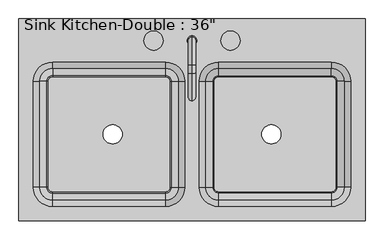
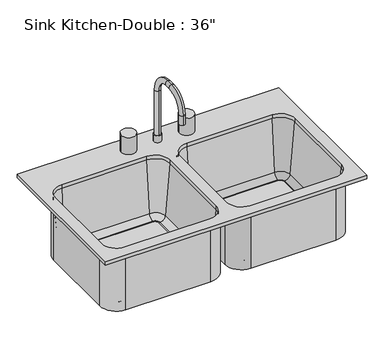
"""IFC4 building model written with IfcOpenShell, lengths in millimetres: flow terminal geometry."""

from ifc_helpers import new_model, si_unit, point, frame, frame_2d, origin, place, context, project, spatial, polyline, circle_curve, ellipse_curve, trimmed, segment, composite_curve, outline, extrude, source, transform, mapped, element, save
from ifc_brep_helpers import plane_surface, cylinder_surface, revolved_surface, advanced_brep


def flow_terminal_530ab181(model_context):
    return source(origin(), model_context, "Body", "SolidModel", [
        advanced_brep(
        [(2.9892406, 211.8954011, 927.1), (28.3892406, 211.8954011, 927.1), (15.6892406, 221.4204011, 1114.425), (15.6892406, 202.3704011, 1114.425), (15.6892406, 202.3704011, 952.5), (15.6892406, 221.4204011, 952.5), (15.6892406, 148.3954011, 1187.45), (15.6892406, 148.3954011, 1168.4), (15.6892406, 126.1704011, 1187.45), (15.6892406, 126.1704011, 1168.4), (15.6892406, 53.1454011, 1114.425), (15.6892406, 72.1954011, 1114.425), (15.6892406, 53.1454011, 1079.5), (15.6892406, 72.1954011, 1079.5), (2.9892406, 211.8954011, 952.5), (28.3892406, 211.8954011, 952.5)],
        [
            (0, 1, circle_curve(frame((15.6892406, 211.8954011, 927.1), z_axis=(0.0, 0.0, -1.0), x_axis=(1.0, 0.0, 0.0)), 12.7)),
            (1, 0, circle_curve(frame((15.6892406, 211.8954011, 927.1), z_axis=(0.0, 0.0, -1.0), x_axis=(1.0, 0.0, 0.0)), 12.7)),
            (2, 3, circle_curve(frame((15.6892406, 211.8954011, 1114.425), z_axis=(0.0, 0.0, -1.0), x_axis=(0.0, -1.0, 0.0)), 9.525)),
            (3, 4),
            (4, 5, circle_curve(frame((15.6892406, 211.8954011, 952.5), z_axis=(0.0, 0.0, 1.0), x_axis=(0.0, -1.0, 0.0)), 9.525)),
            (5, 2),
            (3, 2, circle_curve(frame((15.6892406, 211.8954011, 1114.425), z_axis=(0.0, 0.0, -1.0), x_axis=(0.0, -1.0, 0.0)), 9.525)),
            (5, 4, circle_curve(frame((15.6892406, 211.8954011, 952.5), z_axis=(0.0, 0.0, 1.0), x_axis=(0.0, -1.0, 0.0)), 9.525)),
            (2, 6, circle_curve(frame((15.6892406, 148.3954011, 1114.425), z_axis=(1.0, 0.0, 0.0), x_axis=(0.0, 1.0, 0.0)), 73.025)),
            (6, 7, circle_curve(frame((15.6892406, 148.3954011, 1177.925), z_axis=(0.0, 1.0, 0.0), x_axis=(0.0, 0.0, -1.0)), 9.525)),
            (7, 3, circle_curve(frame((15.6892406, 148.3954011, 1114.425), z_axis=(-1.0, 0.0, 0.0), x_axis=(0.0, 1.0, 0.0)), 53.975)),
            (7, 6, circle_curve(frame((15.6892406, 148.3954011, 1177.925), z_axis=(0.0, 1.0, 0.0), x_axis=(0.0, 0.0, -1.0)), 9.525)),
            (6, 8),
            (8, 9, circle_curve(frame((15.6892406, 126.1704011, 1177.925), z_axis=(0.0, 1.0, 0.0), x_axis=(0.0, 0.0, -1.0)), 9.525)),
            (9, 7),
            (9, 8, circle_curve(frame((15.6892406, 126.1704011, 1177.925), z_axis=(0.0, 1.0, 0.0), x_axis=(0.0, 0.0, -1.0)), 9.525)),
            (8, 10, circle_curve(frame((15.6892406, 126.1704011, 1114.425), z_axis=(1.0, 0.0, 0.0), x_axis=(0.0, 0.0, 1.0)), 73.025)),
            (10, 11, circle_curve(frame((15.6892406, 62.6704011, 1114.425), z_axis=(0.0, 0.0, 1.0), x_axis=(0.0, 1.0, 0.0)), 9.525)),
            (11, 9, circle_curve(frame((15.6892406, 126.1704011, 1114.425), z_axis=(-1.0, 0.0, 0.0), x_axis=(0.0, 0.0, 1.0)), 53.975)),
            (11, 10, circle_curve(frame((15.6892406, 62.6704011, 1114.425), z_axis=(0.0, 0.0, 1.0), x_axis=(0.0, 1.0, 0.0)), 9.525)),
            (12, 13, circle_curve(frame((15.6892406, 62.6704011, 1079.5), z_axis=(0.0, 0.0, -1.0), x_axis=(0.0, 1.0, 0.0)), 9.525)),
            (13, 12, circle_curve(frame((15.6892406, 62.6704011, 1079.5), z_axis=(0.0, 0.0, -1.0), x_axis=(0.0, 1.0, 0.0)), 9.525)),
            (10, 12),
            (13, 11),
            (14, 15, circle_curve(frame((15.6892406, 211.8954011, 952.5), z_axis=(0.0, 0.0, 1.0), x_axis=(1.0, 0.0, 0.0)), 12.7)),
            (15, 14, circle_curve(frame((15.6892406, 211.8954011, 952.5), z_axis=(0.0, 0.0, 1.0), x_axis=(1.0, 0.0, 0.0)), 12.7)),
            (14, 0),
            (1, 15),
        ],
        [
            plane_surface(frame((15.6892406, 202.3704011, 927.1), z_axis=(0.0, 0.0, -1.0), x_axis=(1.0, 0.0, 0.0))),
            cylinder_surface(frame((15.6892406, 211.8954011, 927.1), z_axis=(0.0, 0.0, -1.0), x_axis=(0.0, -1.0, 0.0)), 9.525),
            revolved_surface(trimmed(ellipse_curve(frame((15.6892406, 211.8954011, 1114.425), z_axis=(0.0, 0.0, -1.0), x_axis=(0.0, -1.0, 0.0)), 9.525, 9.525), [point((15.6892406, 221.4204011, 1114.425))], [point((15.6892406, 202.3704011, 1114.425))], True, "CARTESIAN"), (15.6892406, 148.3954011, 1114.425), (1.0, 0.0, 0.0)),
            revolved_surface(trimmed(ellipse_curve(frame((15.6892406, 211.8954011, 1114.425), z_axis=(0.0, 0.0, -1.0), x_axis=(0.0, -1.0, 0.0)), 9.525, 9.525), [point((15.6892406, 202.3704011, 1114.425))], [point((15.6892406, 221.4204011, 1114.425))], True, "CARTESIAN"), (15.6892406, 148.3954011, 1114.425), (1.0, 0.0, 0.0)),
            cylinder_surface(frame((15.6892406, 148.3954011, 1177.925), z_axis=(0.0, 1.0, 0.0), x_axis=(0.0, 0.0, -1.0)), 9.525),
            revolved_surface(trimmed(ellipse_curve(frame((15.6892406, 126.1704011, 1177.925), z_axis=(0.0, 1.0, 0.0), x_axis=(0.0, 0.0, -1.0)), 9.525, 9.525), [point((15.6892406, 126.1704011, 1187.45))], [point((15.6892406, 126.1704011, 1168.4))], True, "CARTESIAN"), (15.6892406, 126.1704011, 1114.425), (1.0, 0.0, 0.0)),
            revolved_surface(trimmed(ellipse_curve(frame((15.6892406, 126.1704011, 1177.925), z_axis=(0.0, 1.0, 0.0), x_axis=(0.0, 0.0, -1.0)), 9.525, 9.525), [point((15.6892406, 126.1704011, 1168.4))], [point((15.6892406, 126.1704011, 1187.45))], True, "CARTESIAN"), (15.6892406, 126.1704011, 1114.425), (1.0, 0.0, 0.0)),
            plane_surface(frame((15.6892406, 53.1454011, 1079.5), z_axis=(0.0, 0.0, -1.0), x_axis=(-1.0, 0.0, 0.0))),
            cylinder_surface(frame((15.6892406, 62.6704011, 1114.425), z_axis=(0.0, 0.0, 1.0), x_axis=(0.0, 1.0, 0.0)), 9.525),
            plane_surface(frame((28.3892406, 211.8954011, 952.5), z_axis=(0.0, 0.0, 1.0), x_axis=(0.0, 1.0, 0.0))),
            cylinder_surface(frame((15.6892406, 211.8954011, 927.1), z_axis=(0.0, 0.0, 1.0), x_axis=(1.0, 0.0, 0.0)), 12.7),
        ],
        [
            (0, [[1, 2]]),
            (1, [[3, 4, 5, 6]]),
            (1, [[7, -6, 8, -4]]),
            (2, [[-3, 9, 10, 11]]),
            (3, [[-7, -11, 12, -9]]),
            (4, [[-10, 13, 14, 15]]),
            (4, [[-12, -15, 16, -13]]),
            (5, [[-14, 17, 18, 19]]),
            (6, [[-16, -19, 20, -17]]),
            (7, [[21, 22]]),
            (8, [[-18, 23, -22, 24]]),
            (8, [[-20, -24, -21, -23]]),
            (9, [[25, 26], [-5, -8]]),
            (10, [[-25, 27, -2, 28]]),
            (10, [[-26, -28, -1, -27]]),
        ],
    ),
        advanced_brep(
        [(472.8892406, 269.0454011, 927.1), (-441.5107594, 269.0454011, 927.1), (-441.5107594, -264.3545989, 927.1), (472.8892406, -264.3545989, 927.1), (-54.1607594, 154.7454011, 927.1), (-3.3607594, 103.9454011, 927.1), (-3.3607594, -175.4545989, 927.1), (-54.1607594, -226.2545989, 927.1), (-352.6107594, -226.2545989, 927.1), (-403.4107594, -175.4545989, 927.1), (-403.4107594, 103.9454011, 927.1), (-352.6107594, 154.7454011, 927.1), (85.5392406, -226.2545989, 927.1), (34.7392406, -175.4545989, 927.1), (34.7392406, 103.9454011, 927.1), (85.5392406, 154.7454011, 927.1), (383.9892406, 154.7454011, 927.1), (434.7892406, 103.9454011, 927.1), (434.7892406, -175.4545989, 927.1), (383.9892406, -226.2545989, 927.1), (472.8892406, 269.0454011, 914.4), (472.8892406, -264.3545989, 914.4), (-441.5107594, -264.3545989, 914.4), (-441.5107594, 269.0454011, 914.4), (85.5392406, 161.0954011, 914.4), (28.3892406, 103.9454011, 914.4), (28.3892406, -175.4545989, 914.4), (85.5392406, -232.6045989, 914.4), (383.9892406, -232.6045989, 914.4), (441.1392406, -175.4545989, 914.4), (441.1392406, 103.9454011, 914.4), (383.9892406, 161.0954011, 914.4), (2.9892406, 103.9454011, 914.4), (-54.1607594, 161.0954011, 914.4), (-352.6107594, 161.0954011, 914.4), (-409.7607594, 103.9454011, 914.4), (-409.7607594, -175.4545989, 914.4), (-352.6107594, -232.6045989, 914.4), (-54.1607594, -232.6045989, 914.4), (2.9892406, -175.4545989, 914.4), (-54.1607594, 154.7454011, 914.4), (-3.3607594, 103.9454011, 914.4), (-3.3607594, -175.4545989, 914.4), (-54.1607594, -226.2545989, 914.4), (-352.6107594, -226.2545989, 914.4), (-403.4107594, -175.4545989, 914.4), (-403.4107594, 103.9454011, 914.4), (-352.6107594, 154.7454011, 914.4), (85.5392406, -226.2545989, 914.4), (34.7392406, -175.4545989, 914.4), (34.7392406, 103.9454011, 914.4), (85.5392406, 154.7454011, 914.4), (383.9892406, 154.7454011, 914.4), (434.7892406, 103.9454011, 914.4), (434.7892406, -175.4545989, 914.4), (383.9892406, -226.2545989, 914.4), (51.2733134, 103.9454011, 725.4146831), (85.5392406, 138.2113283, 725.4146831), (70.2508224, 103.9454011, 708.025), (85.5392406, 119.2338193, 708.025), (72.8392406, 103.9454011, 708.025), (85.5392406, 116.6454011, 708.025), (72.8392406, 103.9454011, 698.5), (85.5392406, 116.6454011, 698.5), (28.3892406, 103.9454011, 698.5), (85.5392406, 161.0954011, 698.5), (51.2733134, -175.4545989, 725.4146831), (70.2508224, -175.4545989, 708.025), (72.8392406, -175.4545989, 708.025), (72.8392406, -175.4545989, 698.5), (28.3892406, -175.4545989, 698.5), (85.5392406, -209.7205261, 725.4146831), (85.5392406, -190.7430171, 708.025), (85.5392406, -188.1545989, 708.025), (85.5392406, -188.1545989, 698.5), (85.5392406, -232.6045989, 698.5), (383.9892406, -209.7205261, 725.4146831), (383.9892406, -190.7430171, 708.025), (383.9892406, -188.1545989, 708.025), (383.9892406, -188.1545989, 698.5), (383.9892406, -232.6045989, 698.5), (418.2551678, -175.4545989, 725.4146831), (399.2776588, -175.4545989, 708.025), (396.6892406, -175.4545989, 708.025), (396.6892406, -175.4545989, 698.5), (441.1392406, -175.4545989, 698.5), (418.2551678, 103.9454011, 725.4146831), (399.2776588, 103.9454011, 708.025), (396.6892406, 103.9454011, 708.025), (396.6892406, 103.9454011, 698.5), (441.1392406, 103.9454011, 698.5), (383.9892406, 138.2113283, 725.4146831), (383.9892406, 119.2338193, 708.025), (383.9892406, 116.6454011, 708.025), (383.9892406, 116.6454011, 698.5), (383.9892406, 161.0954011, 698.5), (2.9892406, 103.9454011, 698.5), (-54.1607594, 161.0954011, 698.5), (-41.4607594, 103.9454011, 698.5), (-54.1607594, 116.6454011, 698.5), (-41.4607594, 103.9454011, 708.025), (-54.1607594, 116.6454011, 708.025), (-38.8723412, 103.9454011, 708.025), (-54.1607594, 119.2338193, 708.025), (-19.8948322, 103.9454011, 725.4146831), (-54.1607594, 138.2113283, 725.4146831), (2.9892406, -175.4545989, 698.5), (-41.4607594, -175.4545989, 698.5), (-41.4607594, -175.4545989, 708.025), (-38.8723412, -175.4545989, 708.025), (-19.8948322, -175.4545989, 725.4146831), (-54.1607594, -232.6045989, 698.5), (-54.1607594, -188.1545989, 698.5), (-54.1607594, -188.1545989, 708.025), (-54.1607594, -190.7430171, 708.025), (-54.1607594, -209.7205261, 725.4146831), (-352.6107594, -232.6045989, 698.5), (-352.6107594, -188.1545989, 698.5), (-352.6107594, -188.1545989, 708.025), (-352.6107594, -190.7430171, 708.025), (-352.6107594, -209.7205261, 725.4146831), (-409.7607594, -175.4545989, 698.5), (-365.3107594, -175.4545989, 698.5), (-365.3107594, -175.4545989, 708.025), (-367.8991776, -175.4545989, 708.025), (-386.8766866, -175.4545989, 725.4146831), (-409.7607594, 103.9454011, 698.5), (-365.3107594, 103.9454011, 698.5), (-365.3107594, 103.9454011, 708.025), (-367.8991776, 103.9454011, 708.025), (-386.8766866, 103.9454011, 725.4146831), (-352.6107594, 161.0954011, 698.5), (-352.6107594, 116.6454011, 698.5), (-352.6107594, 116.6454011, 708.025), (-352.6107594, 119.2338193, 708.025), (-352.6107594, 138.2113283, 725.4146831)],
        [
            (0, 1),
            (1, 2),
            (2, 3),
            (3, 0),
            (4, 5, circle_curve(frame((-54.1607594, 103.9454011, 927.1), z_axis=(0.0, 0.0, -1.0), x_axis=(1.0, 0.0, 0.0)), 50.8)),
            (5, 6),
            (6, 7, circle_curve(frame((-54.1607594, -175.4545989, 927.1), z_axis=(0.0, 0.0, -1.0), x_axis=(1.0, 0.0, 0.0)), 50.8)),
            (7, 8),
            (8, 9, circle_curve(frame((-352.6107594, -175.4545989, 927.1), z_axis=(0.0, 0.0, -1.0), x_axis=(1.0, 0.0, 0.0)), 50.8)),
            (9, 10),
            (10, 11, circle_curve(frame((-352.6107594, 103.9454011, 927.1), z_axis=(0.0, 0.0, -1.0), x_axis=(1.0, 0.0, 0.0)), 50.8)),
            (11, 4),
            (12, 13, circle_curve(frame((85.5392406, -175.4545989, 927.1), z_axis=(0.0, 0.0, -1.0), x_axis=(1.0, 0.0, 0.0)), 50.8)),
            (13, 14),
            (14, 15, circle_curve(frame((85.5392406, 103.9454011, 927.1), z_axis=(0.0, 0.0, -1.0), x_axis=(1.0, 0.0, 0.0)), 50.8)),
            (15, 16),
            (16, 17, circle_curve(frame((383.9892406, 103.9454011, 927.1), z_axis=(0.0, 0.0, -1.0), x_axis=(1.0, 0.0, 0.0)), 50.8)),
            (17, 18),
            (18, 19, circle_curve(frame((383.9892406, -175.4545989, 927.1), z_axis=(0.0, 0.0, -1.0), x_axis=(1.0, 0.0, 0.0)), 50.8)),
            (19, 12),
            (20, 21),
            (21, 22),
            (22, 23),
            (23, 20),
            (24, 25, circle_curve(frame((85.5392406, 103.9454011, 914.4), z_axis=(0.0, 0.0, 1.0), x_axis=(0.0, 1.0, 0.0)), 57.15)),
            (25, 26),
            (26, 27, circle_curve(frame((85.5392406, -175.4545989, 914.4), z_axis=(0.0, 0.0, 1.0), x_axis=(-1.0, 0.0, 0.0)), 57.15)),
            (27, 28),
            (28, 29, circle_curve(frame((383.9892406, -175.4545989, 914.4), z_axis=(0.0, 0.0, 1.0), x_axis=(0.0, -1.0, 0.0)), 57.15)),
            (29, 30),
            (30, 31, circle_curve(frame((383.9892406, 103.9454011, 914.4), z_axis=(0.0, 0.0, 1.0), x_axis=(1.0, 0.0, 0.0)), 57.15)),
            (31, 24),
            (32, 33, circle_curve(frame((-54.1607594, 103.9454011, 914.4), z_axis=(0.0, 0.0, 1.0), x_axis=(0.0, 1.0, 0.0)), 57.15)),
            (33, 34),
            (34, 35, circle_curve(frame((-352.6107594, 103.9454011, 914.4), z_axis=(0.0, 0.0, 1.0), x_axis=(-1.0, 0.0, 0.0)), 57.15)),
            (35, 36),
            (36, 37, circle_curve(frame((-352.6107594, -175.4545989, 914.4), z_axis=(0.0, 0.0, 1.0), x_axis=(0.0, -1.0, 0.0)), 57.15)),
            (37, 38),
            (38, 39, circle_curve(frame((-54.1607594, -175.4545989, 914.4), z_axis=(0.0, 0.0, 1.0), x_axis=(1.0, 0.0, 0.0)), 57.15)),
            (39, 32),
            (0, 20),
            (23, 1),
            (22, 2),
            (21, 3),
            (4, 40),
            (40, 41, circle_curve(frame((-54.1607594, 103.9454011, 914.4), z_axis=(0.0, 0.0, -1.0), x_axis=(1.0, 0.0, 0.0)), 50.8)),
            (41, 5),
            (41, 42),
            (42, 6),
            (42, 43, circle_curve(frame((-54.1607594, -175.4545989, 914.4), z_axis=(0.0, 0.0, -1.0), x_axis=(1.0, 0.0, 0.0)), 50.8)),
            (43, 7),
            (43, 44),
            (44, 8),
            (44, 45, circle_curve(frame((-352.6107594, -175.4545989, 914.4), z_axis=(0.0, 0.0, -1.0), x_axis=(1.0, 0.0, 0.0)), 50.8)),
            (45, 9),
            (45, 46),
            (46, 10),
            (46, 47, circle_curve(frame((-352.6107594, 103.9454011, 914.4), z_axis=(0.0, 0.0, -1.0), x_axis=(1.0, 0.0, 0.0)), 50.8)),
            (47, 11),
            (47, 40),
            (12, 48),
            (48, 49, circle_curve(frame((85.5392406, -175.4545989, 914.4), z_axis=(0.0, 0.0, -1.0), x_axis=(1.0, 0.0, 0.0)), 50.8)),
            (49, 13),
            (49, 50),
            (50, 14),
            (50, 51, circle_curve(frame((85.5392406, 103.9454011, 914.4), z_axis=(0.0, 0.0, -1.0), x_axis=(1.0, 0.0, 0.0)), 50.8)),
            (51, 15),
            (51, 52),
            (52, 16),
            (52, 53, circle_curve(frame((383.9892406, 103.9454011, 914.4), z_axis=(0.0, 0.0, -1.0), x_axis=(1.0, 0.0, 0.0)), 50.8)),
            (53, 17),
            (53, 54),
            (54, 18),
            (54, 55, circle_curve(frame((383.9892406, -175.4545989, 914.4), z_axis=(0.0, 0.0, -1.0), x_axis=(1.0, 0.0, 0.0)), 50.8)),
            (55, 19),
            (55, 48),
            (56, 57, circle_curve(frame((85.5392406, 103.9454011, 725.4146831), z_axis=(0.0, 0.0, -1.0), x_axis=(0.0, 1.0, 0.0)), 34.2659272)),
            (57, 51),
            (50, 56),
            (56, 58, circle_curve(frame((70.2508224, 103.9454011, 727.075), z_axis=(0.0, -1.0, 0.0), x_axis=(1.0, 0.0, 0.0)), 19.05)),
            (58, 59, circle_curve(frame((85.5392406, 103.9454011, 708.025), z_axis=(0.0, 0.0, -1.0), x_axis=(0.0, 1.0, 0.0)), 15.2884182)),
            (59, 57, circle_curve(frame((85.5392406, 119.2338193, 727.075), z_axis=(1.0, 0.0, 0.0), x_axis=(0.0, -1.0, 0.0)), 19.05)),
            (58, 60),
            (60, 61, circle_curve(frame((85.5392406, 103.9454011, 708.025), z_axis=(0.0, 0.0, -1.0), x_axis=(0.0, 1.0, 0.0)), 12.7)),
            (61, 59),
            (60, 62),
            (62, 63, circle_curve(frame((85.5392406, 103.9454011, 698.5), z_axis=(0.0, 0.0, -1.0), x_axis=(0.0, 1.0, 0.0)), 12.7)),
            (63, 61),
            (62, 64),
            (64, 65, circle_curve(frame((85.5392406, 103.9454011, 698.5), z_axis=(0.0, 0.0, -1.0), x_axis=(0.0, 1.0, 0.0)), 57.15)),
            (65, 63),
            (64, 25),
            (24, 65),
            (49, 66),
            (66, 56),
            (66, 67, circle_curve(frame((70.2508224, -175.4545989, 727.075), z_axis=(0.0, -1.0, 0.0), x_axis=(1.0, 0.0, 0.0)), 19.05)),
            (67, 58),
            (67, 68),
            (68, 60),
            (68, 69),
            (69, 62),
            (69, 70),
            (70, 64),
            (70, 26),
            (48, 71),
            (71, 66, circle_curve(frame((85.5392406, -175.4545989, 725.4146831), z_axis=(0.0, 0.0, -1.0), x_axis=(-1.0, 0.0, 0.0)), 34.2659272)),
            (71, 72, circle_curve(frame((85.5392406, -190.7430171, 727.075), z_axis=(1.0, 0.0, 0.0), x_axis=(0.0, 1.0, 0.0)), 19.05)),
            (72, 67, circle_curve(frame((85.5392406, -175.4545989, 708.025), z_axis=(0.0, 0.0, -1.0), x_axis=(-1.0, 0.0, 0.0)), 15.2884182)),
            (72, 73),
            (73, 68, circle_curve(frame((85.5392406, -175.4545989, 708.025), z_axis=(0.0, 0.0, -1.0), x_axis=(-1.0, 0.0, 0.0)), 12.7)),
            (73, 74),
            (74, 69, circle_curve(frame((85.5392406, -175.4545989, 698.5), z_axis=(0.0, 0.0, -1.0), x_axis=(-1.0, 0.0, 0.0)), 12.7)),
            (74, 75),
            (75, 70, circle_curve(frame((85.5392406, -175.4545989, 698.5), z_axis=(0.0, 0.0, -1.0), x_axis=(-1.0, 0.0, 0.0)), 57.15)),
            (75, 27),
            (55, 76),
            (76, 71),
            (76, 77, circle_curve(frame((383.9892406, -190.7430171, 727.075), z_axis=(1.0, 0.0, 0.0), x_axis=(0.0, 1.0, 0.0)), 19.05)),
            (77, 72),
            (77, 78),
            (78, 73),
            (78, 79),
            (79, 74),
            (79, 80),
            (80, 75),
            (80, 28),
            (54, 81),
            (81, 76, circle_curve(frame((383.9892406, -175.4545989, 725.4146831), z_axis=(0.0, 0.0, -1.0), x_axis=(0.0, -1.0, 0.0)), 34.2659272)),
            (81, 82, circle_curve(frame((399.2776588, -175.4545989, 727.075), z_axis=(0.0, 1.0, 0.0), x_axis=(-1.0, 0.0, 0.0)), 19.05)),
            (82, 77, circle_curve(frame((383.9892406, -175.4545989, 708.025), z_axis=(0.0, 0.0, -1.0), x_axis=(0.0, -1.0, 0.0)), 15.2884182)),
            (82, 83),
            (83, 78, circle_curve(frame((383.9892406, -175.4545989, 708.025), z_axis=(0.0, 0.0, -1.0), x_axis=(0.0, -1.0, 0.0)), 12.7)),
            (83, 84),
            (84, 79, circle_curve(frame((383.9892406, -175.4545989, 698.5), z_axis=(0.0, 0.0, -1.0), x_axis=(0.0, -1.0, 0.0)), 12.7)),
            (84, 85),
            (85, 80, circle_curve(frame((383.9892406, -175.4545989, 698.5), z_axis=(0.0, 0.0, -1.0), x_axis=(0.0, -1.0, 0.0)), 57.15)),
            (85, 29),
            (53, 86),
            (86, 81),
            (86, 87, circle_curve(frame((399.2776588, 103.9454011, 727.075), z_axis=(0.0, 1.0, 0.0), x_axis=(-1.0, 0.0, 0.0)), 19.05)),
            (87, 82),
            (87, 88),
            (88, 83),
            (88, 89),
            (89, 84),
            (89, 90),
            (90, 85),
            (90, 30),
            (52, 91),
            (91, 86, circle_curve(frame((383.9892406, 103.9454011, 725.4146831), z_axis=(0.0, 0.0, -1.0), x_axis=(1.0, 0.0, 0.0)), 34.2659272)),
            (91, 92, circle_curve(frame((383.9892406, 119.2338193, 727.075), z_axis=(-1.0, 0.0, 0.0), x_axis=(0.0, -1.0, 0.0)), 19.05)),
            (92, 87, circle_curve(frame((383.9892406, 103.9454011, 708.025), z_axis=(0.0, 0.0, -1.0), x_axis=(1.0, 0.0, 0.0)), 15.2884182)),
            (92, 93),
            (93, 88, circle_curve(frame((383.9892406, 103.9454011, 708.025), z_axis=(0.0, 0.0, -1.0), x_axis=(1.0, 0.0, 0.0)), 12.7)),
            (93, 94),
            (94, 89, circle_curve(frame((383.9892406, 103.9454011, 698.5), z_axis=(0.0, 0.0, -1.0), x_axis=(1.0, 0.0, 0.0)), 12.7)),
            (94, 95),
            (95, 90, circle_curve(frame((383.9892406, 103.9454011, 698.5), z_axis=(0.0, 0.0, -1.0), x_axis=(1.0, 0.0, 0.0)), 57.15)),
            (95, 31),
            (57, 91),
            (59, 92),
            (61, 93),
            (63, 94),
            (65, 95),
            (96, 97, circle_curve(frame((-54.1607594, 103.9454011, 698.5), z_axis=(0.0, 0.0, 1.0), x_axis=(0.0, 1.0, 0.0)), 57.15)),
            (97, 33),
            (32, 96),
            (96, 98),
            (98, 99, circle_curve(frame((-54.1607594, 103.9454011, 698.5), z_axis=(0.0, 0.0, 1.0), x_axis=(0.0, 1.0, 0.0)), 12.7)),
            (99, 97),
            (98, 100),
            (100, 101, circle_curve(frame((-54.1607594, 103.9454011, 708.025), z_axis=(0.0, 0.0, 1.0), x_axis=(0.0, 1.0, 0.0)), 12.7)),
            (101, 99),
            (100, 102),
            (102, 103, circle_curve(frame((-54.1607594, 103.9454011, 708.025), z_axis=(0.0, 0.0, 1.0), x_axis=(0.0, 1.0, 0.0)), 15.2884182)),
            (103, 101),
            (102, 104, circle_curve(frame((-38.8723412, 103.9454011, 727.075), z_axis=(0.0, -1.0, 0.0), x_axis=(1.0, 0.0, 0.0)), 19.05)),
            (104, 105, circle_curve(frame((-54.1607594, 103.9454011, 725.4146831), z_axis=(0.0, 0.0, 1.0), x_axis=(0.0, 1.0, 0.0)), 34.2659272)),
            (105, 103, circle_curve(frame((-54.1607594, 119.2338193, 727.075), z_axis=(-1.0, 0.0, 0.0), x_axis=(0.0, 1.0, 0.0)), 19.05)),
            (104, 41),
            (40, 105),
            (39, 106),
            (106, 96),
            (106, 107),
            (107, 98),
            (107, 108),
            (108, 100),
            (108, 109),
            (109, 102),
            (109, 110, circle_curve(frame((-38.8723412, -175.4545989, 727.075), z_axis=(0.0, -1.0, 0.0), x_axis=(1.0, 0.0, 0.0)), 19.05)),
            (110, 104),
            (110, 42),
            (38, 111),
            (111, 106, circle_curve(frame((-54.1607594, -175.4545989, 698.5), z_axis=(0.0, 0.0, 1.0), x_axis=(1.0, 0.0, 0.0)), 57.15)),
            (111, 112),
            (112, 107, circle_curve(frame((-54.1607594, -175.4545989, 698.5), z_axis=(0.0, 0.0, 1.0), x_axis=(1.0, 0.0, 0.0)), 12.7)),
            (112, 113),
            (113, 108, circle_curve(frame((-54.1607594, -175.4545989, 708.025), z_axis=(0.0, 0.0, 1.0), x_axis=(1.0, 0.0, 0.0)), 12.7)),
            (113, 114),
            (114, 109, circle_curve(frame((-54.1607594, -175.4545989, 708.025), z_axis=(0.0, 0.0, 1.0), x_axis=(1.0, 0.0, 0.0)), 15.2884182)),
            (114, 115, circle_curve(frame((-54.1607594, -190.7430171, 727.075), z_axis=(-1.0, 0.0, 0.0), x_axis=(0.0, -1.0, 0.0)), 19.05)),
            (115, 110, circle_curve(frame((-54.1607594, -175.4545989, 725.4146831), z_axis=(0.0, 0.0, 1.0), x_axis=(1.0, 0.0, 0.0)), 34.2659272)),
            (115, 43),
            (37, 116),
            (116, 111),
            (116, 117),
            (117, 112),
            (117, 118),
            (118, 113),
            (118, 119),
            (119, 114),
            (119, 120, circle_curve(frame((-352.6107594, -190.7430171, 727.075), z_axis=(-1.0, 0.0, 0.0), x_axis=(0.0, -1.0, 0.0)), 19.05)),
            (120, 115),
            (120, 44),
            (36, 121),
            (121, 116, circle_curve(frame((-352.6107594, -175.4545989, 698.5), z_axis=(0.0, 0.0, 1.0), x_axis=(0.0, -1.0, 0.0)), 57.15)),
            (121, 122),
            (122, 117, circle_curve(frame((-352.6107594, -175.4545989, 698.5), z_axis=(0.0, 0.0, 1.0), x_axis=(0.0, -1.0, 0.0)), 12.7)),
            (122, 123),
            (123, 118, circle_curve(frame((-352.6107594, -175.4545989, 708.025), z_axis=(0.0, 0.0, 1.0), x_axis=(0.0, -1.0, 0.0)), 12.7)),
            (123, 124),
            (124, 119, circle_curve(frame((-352.6107594, -175.4545989, 708.025), z_axis=(0.0, 0.0, 1.0), x_axis=(0.0, -1.0, 0.0)), 15.2884182)),
            (124, 125, circle_curve(frame((-367.8991776, -175.4545989, 727.075), z_axis=(0.0, 1.0, 0.0), x_axis=(-1.0, 0.0, 0.0)), 19.05)),
            (125, 120, circle_curve(frame((-352.6107594, -175.4545989, 725.4146831), z_axis=(0.0, 0.0, 1.0), x_axis=(0.0, -1.0, 0.0)), 34.2659272)),
            (125, 45),
            (35, 126),
            (126, 121),
            (126, 127),
            (127, 122),
            (127, 128),
            (128, 123),
            (128, 129),
            (129, 124),
            (129, 130, circle_curve(frame((-367.8991776, 103.9454011, 727.075), z_axis=(0.0, 1.0, 0.0), x_axis=(-1.0, 0.0, 0.0)), 19.05)),
            (130, 125),
            (130, 46),
            (34, 131),
            (131, 126, circle_curve(frame((-352.6107594, 103.9454011, 698.5), z_axis=(0.0, 0.0, 1.0), x_axis=(-1.0, 0.0, 0.0)), 57.15)),
            (131, 132),
            (132, 127, circle_curve(frame((-352.6107594, 103.9454011, 698.5), z_axis=(0.0, 0.0, 1.0), x_axis=(-1.0, 0.0, 0.0)), 12.7)),
            (132, 133),
            (133, 128, circle_curve(frame((-352.6107594, 103.9454011, 708.025), z_axis=(0.0, 0.0, 1.0), x_axis=(-1.0, 0.0, 0.0)), 12.7)),
            (133, 134),
            (134, 129, circle_curve(frame((-352.6107594, 103.9454011, 708.025), z_axis=(0.0, 0.0, 1.0), x_axis=(-1.0, 0.0, 0.0)), 15.2884182)),
            (134, 135, circle_curve(frame((-352.6107594, 119.2338193, 727.075), z_axis=(1.0, 0.0, 0.0), x_axis=(0.0, 1.0, 0.0)), 19.05)),
            (135, 130, circle_curve(frame((-352.6107594, 103.9454011, 725.4146831), z_axis=(0.0, 0.0, 1.0), x_axis=(-1.0, 0.0, 0.0)), 34.2659272)),
            (135, 47),
            (97, 131),
            (99, 132),
            (101, 133),
            (103, 134),
            (105, 135),
        ],
        [
            plane_surface(frame((-441.5107594, 269.0454011, 927.1), z_axis=(0.0, 0.0, 1.0), x_axis=(-1.0, 0.0, 0.0))),
            plane_surface(frame((-441.5107594, 269.0454011, 914.4), z_axis=(0.0, 0.0, -1.0), x_axis=(1.0, 0.0, 0.0))),
            plane_surface(frame((472.8892406, 269.0454011, 927.1), z_axis=(0.0, 1.0, 0.0), x_axis=(0.0, 0.0, -1.0))),
            plane_surface(frame((-441.5107594, 269.0454011, 927.1), z_axis=(-1.0, 0.0, 0.0), x_axis=(0.0, 0.0, -1.0))),
            plane_surface(frame((-441.5107594, -264.3545989, 927.1), z_axis=(0.0, -1.0, 0.0), x_axis=(0.0, 0.0, -1.0))),
            plane_surface(frame((472.8892406, -264.3545989, 927.1), z_axis=(1.0, 0.0, 0.0), x_axis=(0.0, 0.0, -1.0))),
            revolved_surface(polyline([(-3.3607594000000063, 103.9454011, 914.4), (-3.3607594000000063, 103.9454011, 927.1)]), (-54.1607594, 103.9454011, 0.0), (0.0, 0.0, -1.0)),
            plane_surface(frame((-3.3607594, 103.9454011, 927.1), z_axis=(-1.0, 0.0, 0.0), x_axis=(0.0, 0.0, -1.0))),
            revolved_surface(polyline([(-3.3607594000000063, -175.4545989, 914.4), (-3.3607594000000063, -175.4545989, 927.1)]), (-54.1607594, -175.4545989, 0.0), (0.0, 0.0, -1.0)),
            plane_surface(frame((-54.1607594, -226.2545989, 927.1), z_axis=(0.0, 1.0, 0.0), x_axis=(0.0, 0.0, -1.0))),
            revolved_surface(polyline([(-301.8107594, -175.4545989, 914.4), (-301.8107594, -175.4545989, 927.1)]), (-352.6107594, -175.4545989, 0.0), (0.0, 0.0, -1.0)),
            plane_surface(frame((-403.4107594, -175.4545989, 927.1), z_axis=(1.0, 0.0, 0.0), x_axis=(0.0, 0.0, -1.0))),
            revolved_surface(polyline([(-301.8107594, 103.9454011, 914.4), (-301.8107594, 103.9454011, 927.1)]), (-352.6107594, 103.9454011, 0.0), (0.0, 0.0, -1.0)),
            plane_surface(frame((-352.6107594, 154.7454011, 927.1), z_axis=(0.0, -1.0, 0.0), x_axis=(0.0, 0.0, -1.0))),
            revolved_surface(polyline([(136.33924059999998, -175.4545989, 914.4), (136.33924059999998, -175.4545989, 927.1)]), (85.5392406, -175.4545989, 0.0), (0.0, 0.0, -1.0)),
            plane_surface(frame((34.7392406, -175.4545989, 927.1), z_axis=(1.0, 0.0, 0.0), x_axis=(0.0, 0.0, -1.0))),
            revolved_surface(polyline([(136.33924059999998, 103.9454011, 914.4), (136.33924059999998, 103.9454011, 927.1)]), (85.5392406, 103.9454011, 0.0), (0.0, 0.0, -1.0)),
            plane_surface(frame((85.5392406, 154.7454011, 927.1), z_axis=(0.0, -1.0, 0.0), x_axis=(0.0, 0.0, -1.0))),
            revolved_surface(polyline([(434.7892406, 103.9454011, 914.4), (434.7892406, 103.9454011, 927.1)]), (383.9892406, 103.9454011, 0.0), (0.0, 0.0, -1.0)),
            plane_surface(frame((434.7892406, 103.9454011, 927.1), z_axis=(-1.0, 0.0, 0.0), x_axis=(0.0, 0.0, -1.0))),
            revolved_surface(polyline([(434.7892406, -175.4545989, 914.4), (434.7892406, -175.4545989, 927.1)]), (383.9892406, -175.4545989, 0.0), (0.0, 0.0, -1.0)),
            plane_surface(frame((383.9892406, -226.2545989, 927.1), z_axis=(0.0, 1.0, 0.0), x_axis=(0.0, 0.0, -1.0))),
            revolved_surface(polyline([(85.5392406, 154.7454011, 914.4), (85.5392406, 138.2113283, 725.4146831)]), (85.5392406, 103.9454011, 0.0), (0.0, 0.0, 1.0)),
            revolved_surface(trimmed(ellipse_curve(frame((85.5392406, 119.2338193, 727.075), z_axis=(-1.0, 0.0, 0.0), x_axis=(0.0, -1.0, 0.0)), 19.05, 19.05), [point((85.5392406, 138.2113283, 725.4146831))], [point((85.5392406, 119.2338193, 708.025))], True, "CARTESIAN"), (85.5392406, 103.9454011, 0.0), (0.0, 0.0, 1.0)),
            plane_surface(frame((85.5392406, 103.9454011, 708.025), z_axis=(0.0, 0.0, 1.0), x_axis=(0.0, 1.0, 0.0))),
            revolved_surface(polyline([(85.5392406, 116.6454011, 708.025), (85.5392406, 116.6454011, 698.5)]), (85.5392406, 103.9454011, 0.0), (0.0, 0.0, 1.0)),
            plane_surface(frame((85.5392406, 103.9454011, 698.5), z_axis=(0.0, 0.0, -1.0), x_axis=(0.0, 1.0, 0.0))),
            cylinder_surface(frame((85.5392406, 103.9454011, 0.0), z_axis=(0.0, 0.0, 1.0), x_axis=(0.0, 1.0, 0.0)), 57.15),
            plane_surface(frame((34.7392406, 103.9454011, 914.4), z_axis=(0.996194698091745, 0.0, 0.08715574274766508), x_axis=(0.0, -1.0, 0.0))),
            revolved_surface(polyline([(89.3008224, -175.45459889999998, 727.075), (89.3008224, 103.9454011, 727.075)]), (70.2508224, 103.9454011, 727.075), (0.0, -1.0, 0.0)),
            plane_surface(frame((70.2508224, 103.9454011, 708.025), z_axis=(0.0, 0.0, 1.0), x_axis=(0.0, -1.0, 0.0))),
            plane_surface(frame((72.8392406, 103.9454011, 708.025), z_axis=(1.0, 0.0, 0.0), x_axis=(0.0, -1.0, 0.0))),
            plane_surface(frame((72.8392406, 103.9454011, 698.5), z_axis=(0.0, 0.0, -1.0), x_axis=(0.0, -1.0, 0.0))),
            plane_surface(frame((28.3892406, 103.9454011, 698.5), z_axis=(-1.0, 0.0, 0.0), x_axis=(0.0, -1.0, 0.0))),
            revolved_surface(polyline([(34.7392406, -175.4545989, 914.4), (51.2733134, -175.4545989, 725.4146831)]), (85.5392406, -175.4545989, 0.0), (0.0, 0.0, 1.0)),
            revolved_surface(trimmed(ellipse_curve(frame((70.2508224, -175.4545989, 727.075), z_axis=(0.0, -1.0, 0.0), x_axis=(1.0, 0.0, 0.0)), 19.05, 19.05), [point((51.2733134, -175.4545989, 725.4146831))], [point((70.2508224, -175.4545989, 708.025))], True, "CARTESIAN"), (85.5392406, -175.4545989, 0.0), (0.0, 0.0, 1.0)),
            plane_surface(frame((85.5392406, -175.4545989, 708.025), z_axis=(0.0, 0.0, 1.0), x_axis=(-1.0, 0.0, 0.0))),
            revolved_surface(polyline([(72.8392406, -175.4545989, 708.025), (72.8392406, -175.4545989, 698.5)]), (85.5392406, -175.4545989, 0.0), (0.0, 0.0, 1.0)),
            plane_surface(frame((85.5392406, -175.4545989, 698.5), z_axis=(0.0, 0.0, -1.0), x_axis=(-1.0, 0.0, 0.0))),
            cylinder_surface(frame((85.5392406, -175.4545989, 0.0), z_axis=(0.0, 0.0, 1.0), x_axis=(-1.0, 0.0, 0.0)), 57.15),
            plane_surface(frame((85.5392406, -226.2545989, 914.4), z_axis=(0.0, 0.996194698091745, 0.08715574274766508), x_axis=(1.0, 0.0, 0.0))),
            revolved_surface(polyline([(383.9892406, -171.6930171, 727.075), (85.5392406, -171.6930171, 727.075)]), (85.5392406, -190.7430171, 727.075), (1.0, 0.0, 0.0)),
            plane_surface(frame((85.5392406, -190.7430171, 708.025), z_axis=(0.0, 0.0, 1.0), x_axis=(1.0, 0.0, 0.0))),
            plane_surface(frame((85.5392406, -188.1545989, 708.025), z_axis=(0.0, 1.0, 0.0), x_axis=(1.0, 0.0, 0.0))),
            plane_surface(frame((85.5392406, -188.1545989, 698.5), z_axis=(0.0, 0.0, -1.0), x_axis=(1.0, 0.0, 0.0))),
            plane_surface(frame((85.5392406, -232.6045989, 698.5), z_axis=(0.0, -1.0, 0.0), x_axis=(1.0, 0.0, 0.0))),
            revolved_surface(polyline([(383.9892406, -226.2545989, 914.4), (383.9892406, -209.7205261, 725.4146831)]), (383.9892406, -175.4545989, 0.0), (0.0, 0.0, 1.0)),
            revolved_surface(trimmed(ellipse_curve(frame((383.9892406, -190.7430171, 727.075), z_axis=(1.0, 0.0, 0.0), x_axis=(0.0, 1.0, 0.0)), 19.05, 19.05), [point((383.9892406, -209.7205261, 725.4146831))], [point((383.9892406, -190.7430171, 708.025))], True, "CARTESIAN"), (383.9892406, -175.4545989, 0.0), (0.0, 0.0, 1.0)),
            plane_surface(frame((383.9892406, -175.4545989, 708.025), z_axis=(0.0, 0.0, 1.0), x_axis=(0.0, -1.0, 0.0))),
            revolved_surface(polyline([(383.9892406, -188.1545989, 708.025), (383.9892406, -188.1545989, 698.5)]), (383.9892406, -175.4545989, 0.0), (0.0, 0.0, 1.0)),
            plane_surface(frame((383.9892406, -175.4545989, 698.5), z_axis=(0.0, 0.0, -1.0), x_axis=(0.0, -1.0, 0.0))),
            cylinder_surface(frame((383.9892406, -175.4545989, 0.0), z_axis=(0.0, 0.0, 1.0), x_axis=(0.0, -1.0, 0.0)), 57.15),
            plane_surface(frame((434.7892406, -175.4545989, 914.4), z_axis=(-0.996194698091745, 0.0, 0.08715574274766508), x_axis=(0.0, 1.0, 0.0))),
            revolved_surface(polyline([(380.2276588, 103.94540109999997, 727.075), (380.2276588, -175.4545989, 727.075)]), (399.2776588, -175.4545989, 727.075), (0.0, 1.0, 0.0)),
            plane_surface(frame((399.2776588, -175.4545989, 708.025), z_axis=(0.0, 0.0, 1.0), x_axis=(0.0, 1.0, 0.0))),
            plane_surface(frame((396.6892406, -175.4545989, 708.025), z_axis=(-1.0, 0.0, 0.0), x_axis=(0.0, 1.0, 0.0))),
            plane_surface(frame((396.6892406, -175.4545989, 698.5), z_axis=(0.0, 0.0, -1.0), x_axis=(0.0, 1.0, 0.0))),
            plane_surface(frame((441.1392406, -175.4545989, 698.5), z_axis=(1.0, 0.0, 0.0), x_axis=(0.0, 1.0, 0.0))),
            revolved_surface(polyline([(434.7892406, 103.9454011, 914.4), (418.2551678, 103.9454011, 725.4146831)]), (383.9892406, 103.9454011, 0.0), (0.0, 0.0, 1.0)),
            revolved_surface(trimmed(ellipse_curve(frame((399.2776588, 103.9454011, 727.075), z_axis=(0.0, 1.0, 0.0), x_axis=(-1.0, 0.0, 0.0)), 19.05, 19.05), [point((418.2551678, 103.9454011, 725.4146831))], [point((399.2776588, 103.9454011, 708.025))], True, "CARTESIAN"), (383.9892406, 103.9454011, 0.0), (0.0, 0.0, 1.0)),
            plane_surface(frame((383.9892406, 103.9454011, 708.025), z_axis=(0.0, 0.0, 1.0), x_axis=(1.0, 0.0, 0.0))),
            revolved_surface(polyline([(396.6892406, 103.9454011, 708.025), (396.6892406, 103.9454011, 698.5)]), (383.9892406, 103.9454011, 0.0), (0.0, 0.0, 1.0)),
            plane_surface(frame((383.9892406, 103.9454011, 698.5), z_axis=(0.0, 0.0, -1.0), x_axis=(1.0, 0.0, 0.0))),
            cylinder_surface(frame((383.9892406, 103.9454011, 0.0), z_axis=(0.0, 0.0, 1.0), x_axis=(1.0, 0.0, 0.0)), 57.15),
            plane_surface(frame((383.9892406, 154.7454011, 914.4), z_axis=(0.0, -0.996194698091745, 0.08715574274766508), x_axis=(-1.0, 0.0, 0.0))),
            revolved_surface(polyline([(85.53924059999997, 100.1838193, 727.075), (383.9892406, 100.1838193, 727.075)]), (383.9892406, 119.2338193, 727.075), (-1.0, 0.0, 0.0)),
            plane_surface(frame((383.9892406, 119.2338193, 708.025), z_axis=(0.0, 0.0, 1.0), x_axis=(-1.0, 0.0, 0.0))),
            plane_surface(frame((383.9892406, 116.6454011, 708.025), z_axis=(0.0, -1.0, 0.0), x_axis=(-1.0, 0.0, 0.0))),
            plane_surface(frame((383.9892406, 116.6454011, 698.5), z_axis=(0.0, 0.0, -1.0), x_axis=(-1.0, 0.0, 0.0))),
            plane_surface(frame((383.9892406, 161.0954011, 698.5), z_axis=(0.0, 1.0, 0.0), x_axis=(-1.0, 0.0, 0.0))),
            cylinder_surface(frame((-54.1607594, 103.9454011, 0.0), z_axis=(0.0, 0.0, -1.0), x_axis=(0.0, 1.0, 0.0)), 57.15),
            plane_surface(frame((-54.1607594, 103.9454011, 698.5), z_axis=(0.0, 0.0, -1.0), x_axis=(0.0, 1.0, 0.0))),
            revolved_surface(polyline([(-54.1607594, 116.6454011, 698.5), (-54.1607594, 116.6454011, 708.025)]), (-54.1607594, 103.9454011, 0.0), (0.0, 0.0, -1.0)),
            plane_surface(frame((-54.1607594, 103.9454011, 708.025), z_axis=(0.0, 0.0, 1.0), x_axis=(0.0, 1.0, 0.0))),
            revolved_surface(trimmed(ellipse_curve(frame((-54.1607594, 119.2338193, 727.075), z_axis=(1.0, 0.0, 0.0), x_axis=(0.0, 1.0, 0.0)), 19.05, 19.05), [point((-54.1607594, 119.2338193, 708.025))], [point((-54.1607594, 138.2113283, 725.4146831))], True, "CARTESIAN"), (-54.1607594, 103.9454011, 0.0), (0.0, 0.0, -1.0)),
            revolved_surface(polyline([(-54.1607594, 138.2113283, 725.4146831), (-54.1607594, 154.7454011, 914.4)]), (-54.1607594, 103.9454011, 0.0), (0.0, 0.0, -1.0)),
            plane_surface(frame((2.9892406, 103.9454011, 914.4), z_axis=(1.0, 0.0, 0.0), x_axis=(0.0, -1.0, 0.0))),
            plane_surface(frame((2.9892406, 103.9454011, 698.5), z_axis=(0.0, 0.0, -1.0), x_axis=(0.0, -1.0, 0.0))),
            plane_surface(frame((-41.4607594, 103.9454011, 698.5), z_axis=(-1.0, 0.0, 0.0), x_axis=(0.0, -1.0, 0.0))),
            plane_surface(frame((-41.4607594, 103.9454011, 708.025), z_axis=(0.0, 0.0, 1.0), x_axis=(0.0, -1.0, 0.0))),
            revolved_surface(polyline([(-19.8223412, -175.45459889999998, 727.075), (-19.8223412, 103.9454011, 727.075)]), (-38.8723412, 103.9454011, 727.075), (0.0, -1.0, 0.0)),
            plane_surface(frame((-19.8948322, 103.9454011, 725.4146831), z_axis=(-0.9961946980917439, 0.0, 0.08715574274767722), x_axis=(0.0, -1.0, 0.0))),
            cylinder_surface(frame((-54.1607594, -175.4545989, 0.0), z_axis=(0.0, 0.0, -1.0), x_axis=(1.0, 0.0, 0.0)), 57.15),
            plane_surface(frame((-54.1607594, -175.4545989, 698.5), z_axis=(0.0, 0.0, -1.0), x_axis=(1.0, 0.0, 0.0))),
            revolved_surface(polyline([(-41.4607594, -175.4545989, 698.5), (-41.4607594, -175.4545989, 708.025)]), (-54.1607594, -175.4545989, 0.0), (0.0, 0.0, -1.0)),
            plane_surface(frame((-54.1607594, -175.4545989, 708.025), z_axis=(0.0, 0.0, 1.0), x_axis=(1.0, 0.0, 0.0))),
            revolved_surface(trimmed(ellipse_curve(frame((-38.8723412, -175.4545989, 727.075), z_axis=(0.0, -1.0, 0.0), x_axis=(1.0, 0.0, 0.0)), 19.05, 19.05), [point((-38.8723412, -175.4545989, 708.025))], [point((-19.8948322, -175.4545989, 725.4146831))], True, "CARTESIAN"), (-54.1607594, -175.4545989, 0.0), (0.0, 0.0, -1.0)),
            revolved_surface(polyline([(-19.8948322, -175.4545989, 725.4146831), (-3.3607594, -175.4545989, 914.4)]), (-54.1607594, -175.4545989, 0.0), (0.0, 0.0, -1.0)),
            plane_surface(frame((-54.1607594, -232.6045989, 914.4), z_axis=(0.0, -1.0, 0.0), x_axis=(-1.0, 0.0, 0.0))),
            plane_surface(frame((-54.1607594, -232.6045989, 698.5), z_axis=(0.0, 0.0, -1.0), x_axis=(-1.0, 0.0, 0.0))),
            plane_surface(frame((-54.1607594, -188.1545989, 698.5), z_axis=(0.0, 1.0, 0.0), x_axis=(-1.0, 0.0, 0.0))),
            plane_surface(frame((-54.1607594, -188.1545989, 708.025), z_axis=(0.0, 0.0, 1.0), x_axis=(-1.0, 0.0, 0.0))),
            revolved_surface(polyline([(-352.6107594, -209.79301710000001, 727.075), (-54.1607594, -209.79301710000001, 727.075)]), (-54.1607594, -190.7430171, 727.075), (-1.0, 0.0, 0.0)),
            plane_surface(frame((-54.1607594, -209.7205261, 725.4146831), z_axis=(0.0, 0.9961946980917439, 0.08715574274767722), x_axis=(-1.0, 0.0, 0.0))),
            cylinder_surface(frame((-352.6107594, -175.4545989, 0.0), z_axis=(0.0, 0.0, -1.0), x_axis=(0.0, -1.0, 0.0)), 57.15),
            plane_surface(frame((-352.6107594, -175.4545989, 698.5), z_axis=(0.0, 0.0, -1.0), x_axis=(0.0, -1.0, 0.0))),
            revolved_surface(polyline([(-352.6107594, -188.1545989, 698.5), (-352.6107594, -188.1545989, 708.025)]), (-352.6107594, -175.4545989, 0.0), (0.0, 0.0, -1.0)),
            plane_surface(frame((-352.6107594, -175.4545989, 708.025), z_axis=(0.0, 0.0, 1.0), x_axis=(0.0, -1.0, 0.0))),
            revolved_surface(trimmed(ellipse_curve(frame((-352.6107594, -190.7430171, 727.075), z_axis=(-1.0, 0.0, 0.0), x_axis=(0.0, -1.0, 0.0)), 19.05, 19.05), [point((-352.6107594, -190.7430171, 708.025))], [point((-352.6107594, -209.7205261, 725.4146831))], True, "CARTESIAN"), (-352.6107594, -175.4545989, 0.0), (0.0, 0.0, -1.0)),
            revolved_surface(polyline([(-352.6107594, -209.7205261, 725.4146831), (-352.6107594, -226.2545989, 914.4)]), (-352.6107594, -175.4545989, 0.0), (0.0, 0.0, -1.0)),
            plane_surface(frame((-409.7607594, -175.4545989, 914.4), z_axis=(-1.0, 0.0, 0.0), x_axis=(0.0, 1.0, 0.0))),
            plane_surface(frame((-409.7607594, -175.4545989, 698.5), z_axis=(0.0, 0.0, -1.0), x_axis=(0.0, 1.0, 0.0))),
            plane_surface(frame((-365.3107594, -175.4545989, 698.5), z_axis=(1.0, 0.0, 0.0), x_axis=(0.0, 1.0, 0.0))),
            plane_surface(frame((-365.3107594, -175.4545989, 708.025), z_axis=(0.0, 0.0, 1.0), x_axis=(0.0, 1.0, 0.0))),
            revolved_surface(polyline([(-386.9491776, 103.94540109999997, 727.075), (-386.9491776, -175.4545989, 727.075)]), (-367.8991776, -175.4545989, 727.075), (0.0, 1.0, 0.0)),
            plane_surface(frame((-386.8766866, -175.4545989, 725.4146831), z_axis=(0.9961946980917439, 0.0, 0.08715574274767722), x_axis=(0.0, 1.0, 0.0))),
            cylinder_surface(frame((-352.6107594, 103.9454011, 0.0), z_axis=(0.0, 0.0, -1.0), x_axis=(-1.0, 0.0, 0.0)), 57.15),
            plane_surface(frame((-352.6107594, 103.9454011, 698.5), z_axis=(0.0, 0.0, -1.0), x_axis=(-1.0, 0.0, 0.0))),
            revolved_surface(polyline([(-365.3107594, 103.9454011, 698.5), (-365.3107594, 103.9454011, 708.025)]), (-352.6107594, 103.9454011, 0.0), (0.0, 0.0, -1.0)),
            plane_surface(frame((-352.6107594, 103.9454011, 708.025), z_axis=(0.0, 0.0, 1.0), x_axis=(-1.0, 0.0, 0.0))),
            revolved_surface(trimmed(ellipse_curve(frame((-367.8991776, 103.9454011, 727.075), z_axis=(0.0, 1.0, 0.0), x_axis=(-1.0, 0.0, 0.0)), 19.05, 19.05), [point((-367.8991776, 103.9454011, 708.025))], [point((-386.8766866, 103.9454011, 725.4146831))], True, "CARTESIAN"), (-352.6107594, 103.9454011, 0.0), (0.0, 0.0, -1.0)),
            revolved_surface(polyline([(-386.8766866, 103.9454011, 725.4146831), (-403.4107594, 103.9454011, 914.4)]), (-352.6107594, 103.9454011, 0.0), (0.0, 0.0, -1.0)),
            plane_surface(frame((-352.6107594, 161.0954011, 914.4), z_axis=(0.0, 1.0, 0.0), x_axis=(1.0, 0.0, 0.0))),
            plane_surface(frame((-352.6107594, 161.0954011, 698.5), z_axis=(0.0, 0.0, -1.0), x_axis=(1.0, 0.0, 0.0))),
            plane_surface(frame((-352.6107594, 116.6454011, 698.5), z_axis=(0.0, -1.0, 0.0), x_axis=(1.0, 0.0, 0.0))),
            plane_surface(frame((-352.6107594, 116.6454011, 708.025), z_axis=(0.0, 0.0, 1.0), x_axis=(1.0, 0.0, 0.0))),
            revolved_surface(polyline([(-54.16075940000002, 138.2838193, 727.075), (-352.6107594, 138.2838193, 727.075)]), (-352.6107594, 119.2338193, 727.075), (1.0, 0.0, 0.0)),
            plane_surface(frame((-352.6107594, 138.2113283, 725.4146831), z_axis=(0.0, -0.9961946980917439, 0.08715574274767722), x_axis=(1.0, 0.0, 0.0))),
        ],
        [
            (0, [[1, 2, 3, 4], [5, 6, 7, 8, 9, 10, 11, 12], [13, 14, 15, 16, 17, 18, 19, 20]]),
            (1, [[21, 22, 23, 24], [25, 26, 27, 28, 29, 30, 31, 32], [33, 34, 35, 36, 37, 38, 39, 40]]),
            (2, [[-1, 41, -24, 42]]),
            (3, [[-2, -42, -23, 43]]),
            (4, [[-3, -43, -22, 44]]),
            (5, [[-4, -44, -21, -41]]),
            (6, [[-5, 45, 46, 47]]),
            (7, [[-6, -47, 48, 49]]),
            (8, [[-7, -49, 50, 51]]),
            (9, [[-8, -51, 52, 53]]),
            (10, [[-9, -53, 54, 55]]),
            (11, [[-10, -55, 56, 57]]),
            (12, [[-11, -57, 58, 59]]),
            (13, [[-12, -59, 60, -45]]),
            (14, [[-13, 61, 62, 63]]),
            (15, [[-14, -63, 64, 65]]),
            (16, [[-15, -65, 66, 67]]),
            (17, [[-16, -67, 68, 69]]),
            (18, [[-17, -69, 70, 71]]),
            (19, [[-18, -71, 72, 73]]),
            (20, [[-19, -73, 74, 75]]),
            (21, [[-20, -75, 76, -61]]),
            (22, [[77, 78, -66, 79]]),
            (23, [[-77, 80, 81, 82]]),
            (24, [[-81, 83, 84, 85]]),
            (25, [[-84, 86, 87, 88]]),
            (26, [[-87, 89, 90, 91]]),
            (27, [[-90, 92, -25, 93]]),
            (28, [[-79, -64, 94, 95]]),
            (29, [[-80, -95, 96, 97]]),
            (30, [[-83, -97, 98, 99]]),
            (31, [[-86, -99, 100, 101]]),
            (32, [[-89, -101, 102, 103]]),
            (33, [[-92, -103, 104, -26]]),
            (34, [[-94, -62, 105, 106]]),
            (35, [[-96, -106, 107, 108]]),
            (36, [[-98, -108, 109, 110]]),
            (37, [[-100, -110, 111, 112]]),
            (38, [[-102, -112, 113, 114]]),
            (39, [[-104, -114, 115, -27]]),
            (40, [[-105, -76, 116, 117]]),
            (41, [[-107, -117, 118, 119]]),
            (42, [[-109, -119, 120, 121]]),
            (43, [[-111, -121, 122, 123]]),
            (44, [[-113, -123, 124, 125]]),
            (45, [[-115, -125, 126, -28]]),
            (46, [[-116, -74, 127, 128]]),
            (47, [[-118, -128, 129, 130]]),
            (48, [[-120, -130, 131, 132]]),
            (49, [[-122, -132, 133, 134]]),
            (50, [[-124, -134, 135, 136]]),
            (51, [[-126, -136, 137, -29]]),
            (52, [[-127, -72, 138, 139]]),
            (53, [[-129, -139, 140, 141]]),
            (54, [[-131, -141, 142, 143]]),
            (55, [[-133, -143, 144, 145]]),
            (56, [[-135, -145, 146, 147]]),
            (57, [[-137, -147, 148, -30]]),
            (58, [[-138, -70, 149, 150]]),
            (59, [[-140, -150, 151, 152]]),
            (60, [[-142, -152, 153, 154]]),
            (61, [[-144, -154, 155, 156]]),
            (62, [[-146, -156, 157, 158]]),
            (63, [[-148, -158, 159, -31]]),
            (64, [[-78, 160, -149, -68]]),
            (65, [[-82, 161, -151, -160]]),
            (66, [[-85, 162, -153, -161]]),
            (67, [[-88, 163, -155, -162]]),
            (68, [[-91, 164, -157, -163]]),
            (69, [[-93, -32, -159, -164]]),
            (70, [[165, 166, -33, 167]]),
            (71, [[-165, 168, 169, 170]]),
            (72, [[-169, 171, 172, 173]]),
            (73, [[-172, 174, 175, 176]]),
            (74, [[-175, 177, 178, 179]]),
            (75, [[-178, 180, -46, 181]]),
            (76, [[-167, -40, 182, 183]]),
            (77, [[-168, -183, 184, 185]]),
            (78, [[-171, -185, 186, 187]]),
            (79, [[-174, -187, 188, 189]]),
            (80, [[-177, -189, 190, 191]]),
            (81, [[-180, -191, 192, -48]]),
            (82, [[-182, -39, 193, 194]]),
            (83, [[-184, -194, 195, 196]]),
            (84, [[-186, -196, 197, 198]]),
            (85, [[-188, -198, 199, 200]]),
            (86, [[-190, -200, 201, 202]]),
            (87, [[-192, -202, 203, -50]]),
            (88, [[-193, -38, 204, 205]]),
            (89, [[-195, -205, 206, 207]]),
            (90, [[-197, -207, 208, 209]]),
            (91, [[-199, -209, 210, 211]]),
            (92, [[-201, -211, 212, 213]]),
            (93, [[-203, -213, 214, -52]]),
            (94, [[-204, -37, 215, 216]]),
            (95, [[-206, -216, 217, 218]]),
            (96, [[-208, -218, 219, 220]]),
            (97, [[-210, -220, 221, 222]]),
            (98, [[-212, -222, 223, 224]]),
            (99, [[-214, -224, 225, -54]]),
            (100, [[-215, -36, 226, 227]]),
            (101, [[-217, -227, 228, 229]]),
            (102, [[-219, -229, 230, 231]]),
            (103, [[-221, -231, 232, 233]]),
            (104, [[-223, -233, 234, 235]]),
            (105, [[-225, -235, 236, -56]]),
            (106, [[-226, -35, 237, 238]]),
            (107, [[-228, -238, 239, 240]]),
            (108, [[-230, -240, 241, 242]]),
            (109, [[-232, -242, 243, 244]]),
            (110, [[-234, -244, 245, 246]]),
            (111, [[-236, -246, 247, -58]]),
            (112, [[-166, 248, -237, -34]]),
            (113, [[-170, 249, -239, -248]]),
            (114, [[-173, 250, -241, -249]]),
            (115, [[-176, 251, -243, -250]]),
            (116, [[-179, 252, -245, -251]]),
            (117, [[-181, -60, -247, -252]]),
        ],
    ),
        extrude(outline(composite_curve([segment(trimmed(circle_curve(frame_2d((383.9892406, 106.5338193)), 12.7), [point((383.9892406, 119.2338193))], [point((396.6892406, 106.5338193))], False, "CARTESIAN"), True, "CONTINUOUS"), segment(polyline([(396.6892406, 106.5338193), (396.6892406, -175.4545989)]), True, "CONTINUOUS"), segment(trimmed(circle_curve(frame_2d((383.9892406, -175.4545989)), 12.7), [point((396.6892406, -175.4545989))], [point((383.9892406, -188.1545989))], False, "CARTESIAN"), True, "CONTINUOUS"), segment(polyline([(383.9892406, -188.1545989), (85.5392406, -188.1545989)]), True, "CONTINUOUS"), segment(trimmed(circle_curve(frame_2d((85.5392406, -175.4545989)), 12.7), [point((85.5392406, -188.1545989))], [point((72.8392406, -175.4545989))], False, "CARTESIAN"), True, "CONTINUOUS"), segment(polyline([(72.8392406, -175.4545989), (72.8392406, 106.5338193)]), True, "CONTINUOUS"), segment(trimmed(circle_curve(frame_2d((85.5392406, 106.5338193)), 12.7), [point((72.8392406, 106.5338193))], [point((85.5392406, 119.2338193))], False, "CARTESIAN"), True, "CONTINUOUS"), segment(polyline([(85.5392406, 119.2338193), (383.9892406, 119.2338193)]), True, "CONTINUOUS")], self_intersect=False), holes=[composite_curve([segment(trimmed(circle_curve(frame_2d((225.2392406, -35.7545989)), 25.4), [point((199.8392406, -35.7545989))], [point((250.6392406, -35.7545989))], True, "CARTESIAN"), True, "CONTINUOUS"), segment(trimmed(circle_curve(frame_2d((225.2392406, -35.7545989)), 25.4), [point((250.6392406, -35.7545989))], [point((199.8392406, -35.7545989))], True, "CARTESIAN"), True, "CONTINUOUS")], self_intersect=False)]), frame((0.0, 0.0, 698.5), z_axis=(0.0, 0.0, 1.0), x_axis=(1.0, 0.0, 0.0)), (0.0, 0.0, 1.0), 9.525),
        extrude(outline(composite_curve([segment(trimmed(circle_curve(frame_2d((-85.9107594, 211.8954011)), 25.4), [point((-111.3107594, 211.8954011))], [point((-60.5107594, 211.8954011))], False, "CARTESIAN"), True, "CONTINUOUS"), segment(trimmed(circle_curve(frame_2d((-85.9107594, 211.8954011)), 25.4), [point((-60.5107594, 211.8954011))], [point((-111.3107594, 211.8954011))], False, "CARTESIAN"), True, "CONTINUOUS")], self_intersect=False)), frame((0.0, 0.0, 927.1), z_axis=(0.0, 0.0, 1.0), x_axis=(1.0, 0.0, 0.0)), (0.0, 0.0, 1.0), 63.5),
        extrude(outline(composite_curve([segment(trimmed(circle_curve(frame_2d((117.2892406, 211.8954011)), 25.4), [point((91.8892406, 211.8954011))], [point((142.6892406, 211.8954011))], False, "CARTESIAN"), True, "CONTINUOUS"), segment(trimmed(circle_curve(frame_2d((117.2892406, 211.8954011)), 25.4), [point((142.6892406, 211.8954011))], [point((91.8892406, 211.8954011))], False, "CARTESIAN"), True, "CONTINUOUS")], self_intersect=False)), frame((0.0, 0.0, 927.1), z_axis=(0.0, 0.0, 1.0), x_axis=(1.0, 0.0, 0.0)), (0.0, 0.0, 1.0), 63.5),
        extrude(outline(composite_curve([segment(trimmed(circle_curve(frame_2d((-54.1607594, 103.9454011)), 12.7), [point((-54.1607594, 116.6454011))], [point((-41.4607594, 103.9454011))], False, "CARTESIAN"), True, "CONTINUOUS"), segment(polyline([(-41.4607594, 103.9454011), (-41.4607594, -175.4545989)]), True, "CONTINUOUS"), segment(trimmed(circle_curve(frame_2d((-54.1607594, -175.4545989)), 12.7), [point((-41.4607594, -175.4545989))], [point((-54.1607594, -188.1545989))], False, "CARTESIAN"), True, "CONTINUOUS"), segment(polyline([(-54.1607594, -188.1545989), (-352.6107594, -188.1545989)]), True, "CONTINUOUS"), segment(trimmed(circle_curve(frame_2d((-352.6107594, -175.4545989)), 12.7), [point((-352.6107594, -188.1545989))], [point((-365.3107594, -175.4545989))], False, "CARTESIAN"), True, "CONTINUOUS"), segment(polyline([(-365.3107594, -175.4545989), (-365.3107594, 103.9454011)]), True, "CONTINUOUS"), segment(trimmed(circle_curve(frame_2d((-352.6107594, 103.9454011)), 12.7), [point((-365.3107594, 103.9454011))], [point((-352.6107594, 116.6454011))], False, "CARTESIAN"), True, "CONTINUOUS"), segment(polyline([(-352.6107594, 116.6454011), (-54.1607594, 116.6454011)]), True, "CONTINUOUS")], self_intersect=False), holes=[composite_curve([segment(trimmed(circle_curve(frame_2d((-193.8607594, -35.7545989)), 25.4), [point((-219.2607594, -35.7545989))], [point((-168.4607594, -35.7545989))], True, "CARTESIAN"), True, "CONTINUOUS"), segment(trimmed(circle_curve(frame_2d((-193.8607594, -35.7545989)), 25.4), [point((-168.4607594, -35.7545989))], [point((-219.2607594, -35.7545989))], True, "CARTESIAN"), True, "CONTINUOUS")], self_intersect=False)]), frame((0.0, 0.0, 698.5), z_axis=(0.0, 0.0, 1.0), x_axis=(1.0, 0.0, 0.0)), (0.0, 0.0, 1.0), 9.525),
    ])


if __name__ == "__main__":
    model = new_model("IFC4")
    model_context = context("Model", 3, world=origin())
    ifc_project = project(units=[si_unit("LENGTHUNIT", "METRE", prefix="MILLI")], contexts=[model_context])
    site = spatial("IfcSite", under=ifc_project)
    building = spatial("IfcBuilding", under=site)
    placement = place(None, origin())
    flow_terminal_shape = flow_terminal_530ab181(model_context)
    element("IfcFlowTerminal", 1, ObjectType="Sink Kitchen-Double : 36\"", at=placement, inside=building, context=model_context, shape_type="MappedRepresentation", body=[
        mapped(flow_terminal_shape, transform((0.0, 0.0, 0.0), x_axis=(1.0, 0.0, 0.0), y_axis=(0.0, 1.0, 0.0), z_axis=(0.0, 0.0, 1.0))),
    ])
    save(model, "model.ifc")
